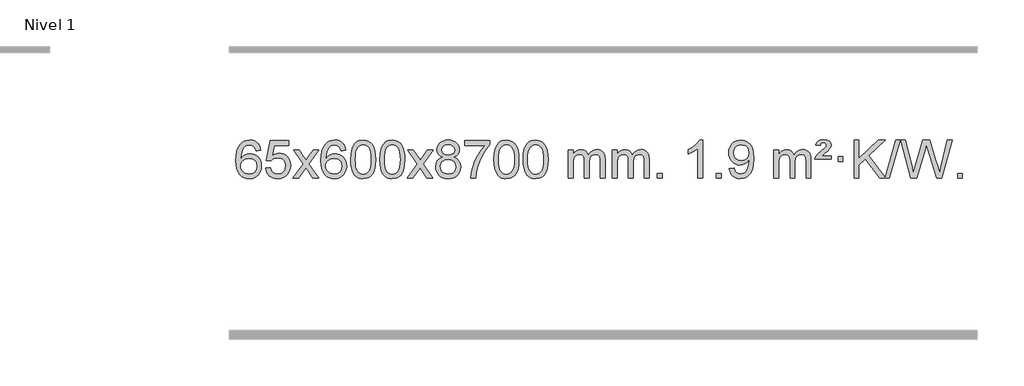
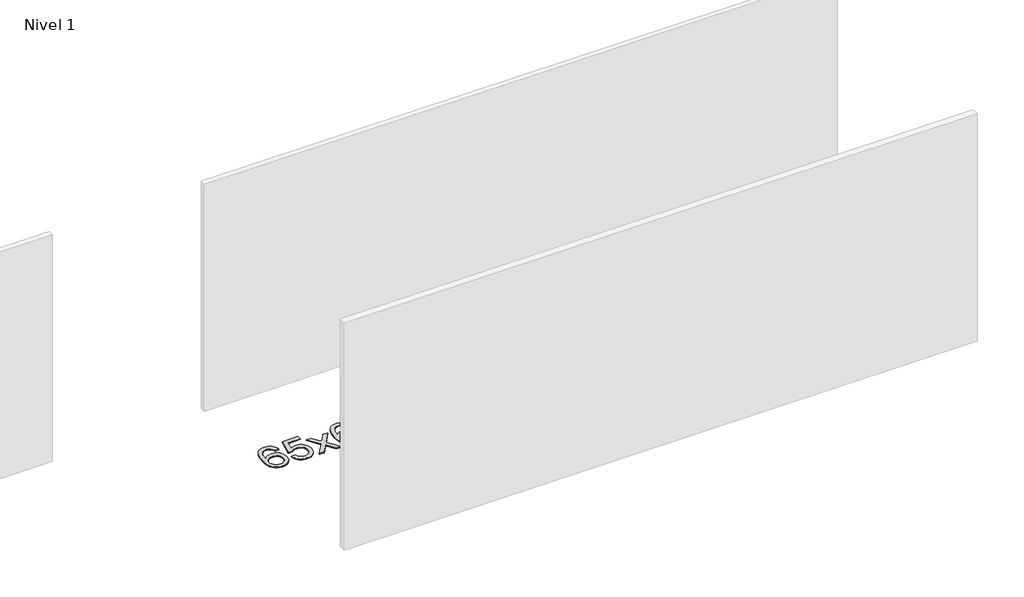
# One storey, part 6 of 10: 1 proxy.
"""IFC4 building model written with IfcOpenShell, lengths in millimetres."""

from ifc_helpers import new_model, si_unit, origin, origin_with_axes, place, context, project, spatial, polyline, outline, extrude, element, save

model = new_model("IFC4")

# Units and contexts
model_context = context("Model", 3, world=origin())
ifc_project = project(units=[si_unit("LENGTHUNIT", "METRE", prefix="MILLI")], contexts=[model_context])

# Site, building, storey
site = spatial("IfcSite", under=ifc_project)
building = spatial("IfcBuilding", under=site)
storey = spatial("IfcBuildingStorey", under=building, Name="Nivel 1", Elevation=0.0)

# Proxy
placement = place(None, origin())
element("IfcBuildingElementProxy", 1, Name="Texto de modelo 1", ObjectType="Texto de modelo 1", at=placement, inside=storey, context=model_context, shape_type="SweptSolid", body=[
    extrude(outline(polyline([(-1498.7504157, -6100.4890419), (-1548.9785708, -6106.7675613), (-1557.0719747, -6081.874213), (-1568.0103327, -6064.8780648), (-1590.7944909, -6049.2062918), (-1618.3365896, -6043.9823675), (-1641.6848336, -6047.0235253), (-1663.6596514, -6056.1469988), (-1682.5319978, -6075.3627017), (-1697.9462534, -6101.8134171), (-1708.3573138, -6139.227016), (-1712.2200748, -6191.3313693), (-1692.0724042, -6167.8237098), (-1667.9270826, -6151.2567573), (-1641.1330106, -6141.434308), (-1613.0390889, -6138.1601582), (-1588.90603, -6140.398107), (-1566.6369065, -6147.1119534), (-1546.2317185, -6158.3016975), (-1527.690466, -6173.9673391), (-1512.2823418, -6193.1769106), (-1501.2765387, -6214.9984443), (-1494.6730569, -6239.4319401), (-1492.4718963, -6266.4773982), (-1496.6167001, -6302.4439945), (-1509.0511116, -6335.786366), (-1528.745061, -6364.0642287), (-1554.668479, -6384.8372987), (-1585.644143, -6397.602804), (-1620.4948306, -6401.8579724), (-1650.4373594, -6399.0375437), (-1677.4797517, -6390.5762579), (-1701.6220076, -6376.4741147), (-1722.8641272, -6356.7311143), (-1740.1821721, -6330.5133908), (-1752.5522042, -6296.9870783), (-1759.9742234, -6256.1521768), (-1762.4482298, -6208.0086864), (-1759.7013776, -6154.0342663), (-1751.4608209, -6107.9693092), (-1737.7265598, -6069.8138149), (-1718.4985942, -6039.5677835), (-1697.6580791, -6019.5243462), (-1673.4943634, -6005.2076052), (-1646.007447, -5996.6175606), (-1615.1973299, -5993.7542124), (-1592.0636838, -5995.5261773), (-1571.1250669, -6000.8420722), (-1552.3814792, -6009.7018969), (-1535.8329208, -6022.1056515), (-1521.9269814, -6037.6364031), (-1511.1112507, -6055.8772186), (-1503.3857288, -6076.8280983), (-1498.7504157, -6100.4890419)]), holes=[polyline([(-1712.2200748, -6265.6925832), (-1709.313807, -6287.9494439), (-1700.5950037, -6309.2007605), (-1687.0569463, -6327.472233), (-1669.6929161, -6340.7895612), (-1648.7359051, -6348.9197533), (-1624.4189053, -6351.6298173), (-1591.2727375, -6346.0134855), (-1577.357601, -6338.9930708), (-1565.2144295, -6329.1644901), (-1555.3643891, -6316.9262824), (-1548.3286459, -6302.6769865), (-1542.7000514, -6268.1451299), (-1548.2550695, -6234.9989621), (-1555.1988422, -6221.3781312), (-1564.9201239, -6209.725469), (-1577.1000836, -6200.3904634), (-1591.4198903, -6193.7226022), (-1626.4790444, -6188.3883133), (-1659.5761613, -6193.7226022), (-1687.25315, -6209.725469), (-1698.1761796, -6221.2248471), (-1705.9783436, -6234.3858254), (-1710.659642, -6249.2084042), (-1712.2200748, -6265.6925832)])]), origin_with_axes(), (0.0, 0.0, 1.0), 10.0),
    extrude(outline(polyline([(-1448.5222606, -6288.8446235), (-1398.2941056, -6282.5661041), (-1389.0725302, -6312.7201649), (-1372.9838243, -6334.3148381), (-1350.1015642, -6347.3010725), (-1320.4993263, -6351.6298173), (-1301.3694626, -6350.1245668), (-1284.4959417, -6345.6088153), (-1269.8787638, -6338.0825628), (-1257.5179287, -6327.5458094), (-1247.6893481, -6314.519721), (-1240.6689334, -6299.5254641), (-1235.0526016, -6263.6324441), (-1240.3133141, -6229.8363514), (-1246.8892048, -6215.9181493), (-1256.0954517, -6203.9865099), (-1267.9627117, -6194.4154467), (-1282.5216417, -6187.5789729), (-1319.7145114, -6182.1097939), (-1344.0805622, -6184.2925604), (-1363.8112999, -6190.8408599), (-1379.568912, -6200.8717757), (-1392.0155862, -6213.5023908), (-1442.2437412, -6207.2238715), (-1398.2941056, -6000.0327318), (-1203.6600046, -6000.0327318), (-1203.6600046, -6050.2608869), (-1357.6799333, -6050.2608869), (-1379.1642418, -6160.919791), (-1361.438461, -6148.2155994), (-1343.2834845, -6139.1411769), (-1324.6993124, -6133.6965234), (-1305.6859446, -6131.8816388), (-1281.2248576, -6134.1318504), (-1258.7564648, -6140.882485), (-1238.2807661, -6152.1335427), (-1219.7977615, -6167.8850234), (-1204.4969362, -6187.1743027), (-1193.5677752, -6209.038756), (-1187.0102787, -6233.4783832), (-1184.8244465, -6260.4931844), (-1186.7926152, -6286.5147042), (-1192.6971212, -6310.7213394), (-1202.5379646, -6333.1130902), (-1216.3151453, -6353.6899565), (-1237.1863171, -6374.7634634), (-1261.5401052, -6389.8159684), (-1289.3765095, -6398.8474714), (-1320.69553, -6401.8579724), (-1346.6158823, -6399.9235262), (-1370.0285056, -6394.1201877), (-1390.9334, -6384.447957), (-1409.3305654, -6370.9068338), (-1424.6375221, -6354.1712688), (-1436.2717902, -6334.915712), (-1444.2333697, -6313.1401636), (-1448.5222606, -6288.8446235)])), origin_with_axes(), (0.0, 0.0, 1.0), 10.0),
    extrude(outline(polyline([(-1159.7103689, -6395.579453), (-1052.3869282, -6247.2494325), (-1153.4318496, -6100.4890419), (-1093.0011005, -6100.4890419), (-1044.2444734, -6171.122385), (-1021.4848406, -6204.4770192), (-1001.7663657, -6177.2047007), (-946.2407099, -6100.4890419), (-885.8099608, -6100.4890419), (-991.9561791, -6247.2494325), (-889.7340354, -6395.579453), (-950.1647845, -6395.579453), (-1011.6746541, -6306.4048574), (-1022.9563686, -6290.1199477), (-1099.2796199, -6395.579453), (-1159.7103689, -6395.579453)])), origin_with_axes(), (0.0, 0.0, 1.0), 10.0),
    extrude(outline(polyline([(-600.9221437, -6100.4890419), (-651.1502988, -6106.7675613), (-659.2437027, -6081.874213), (-670.1820607, -6064.8780648), (-692.9662189, -6049.2062918), (-720.5083176, -6043.9823675), (-743.8565616, -6047.0235253), (-765.8313794, -6056.1469988), (-784.7037258, -6075.3627017), (-800.1179814, -6101.8134171), (-810.5290419, -6139.227016), (-814.3918028, -6191.3313693), (-794.2441322, -6167.8237098), (-770.0988106, -6151.2567573), (-743.3047386, -6141.434308), (-715.2108169, -6138.1601582), (-691.077758, -6140.398107), (-668.8086346, -6147.1119534), (-648.4034466, -6158.3016975), (-629.862194, -6173.9673391), (-614.4540698, -6193.1769106), (-603.4482668, -6214.9984443), (-596.844785, -6239.4319401), (-594.6436244, -6266.4773982), (-598.7884282, -6302.4439945), (-611.2228396, -6335.786366), (-630.9167891, -6364.0642287), (-656.840207, -6384.8372987), (-687.815871, -6397.602804), (-722.6665587, -6401.8579724), (-752.6090874, -6399.0375437), (-779.6514797, -6390.5762579), (-803.7937357, -6376.4741147), (-825.0358552, -6356.7311143), (-842.3539001, -6330.5133908), (-854.7239322, -6296.9870783), (-862.1459515, -6256.1521768), (-864.6199579, -6208.0086864), (-861.8731057, -6154.0342663), (-853.632549, -6107.9693092), (-839.8982878, -6069.8138149), (-820.6703222, -6039.5677835), (-799.8298072, -6019.5243462), (-775.6660915, -6005.2076052), (-748.179175, -5996.6175606), (-717.3690579, -5993.7542124), (-694.2354118, -5995.5261773), (-673.2967949, -6000.8420722), (-654.5532073, -6009.7018969), (-638.0046489, -6022.1056515), (-624.0987094, -6037.6364031), (-613.2829788, -6055.8772186), (-605.5574569, -6076.8280983), (-600.9221437, -6100.4890419)]), holes=[polyline([(-814.3918028, -6265.6925832), (-811.485535, -6287.9494439), (-802.7667318, -6309.2007605), (-789.2286743, -6327.472233), (-771.8646442, -6340.7895612), (-750.9076332, -6348.9197533), (-726.5906333, -6351.6298173), (-693.4444655, -6346.0134855), (-679.5293291, -6338.9930708), (-667.3861575, -6329.1644901), (-657.5361171, -6316.9262824), (-650.500374, -6302.6769865), (-644.8717794, -6268.1451299), (-650.4267976, -6234.9989621), (-657.3705702, -6221.3781312), (-667.0918519, -6209.725469), (-679.2718117, -6200.3904634), (-693.5916183, -6193.7226022), (-728.6507725, -6188.3883133), (-761.7478893, -6193.7226022), (-789.4248781, -6209.725469), (-800.3479076, -6221.2248471), (-808.1500716, -6234.3858254), (-812.83137, -6249.2084042), (-814.3918028, -6265.6925832)])]), origin_with_axes(), (0.0, 0.0, 1.0), 10.0),
    extrude(outline(polyline([(-550.6939887, -6197.9041943), (-547.002906, -6133.5861588), (-535.9296579, -6082.2911459), (-517.5846091, -6043.2343407), (-505.7265461, -6028.0009605), (-492.0781241, -6015.6309284), (-476.5933578, -6006.0598651), (-459.2262619, -5999.2233914), (-418.8450816, -5993.7542124), (-387.8939431, -5996.991574), (-360.1801661, -6006.7036586), (-337.0036004, -6022.5103217), (-319.6640957, -6044.0314184), (-306.5674967, -6071.0830078), (-296.119648, -6103.4811488), (-289.2770429, -6144.6226186), (-286.9961745, -6197.9041943), (-290.650469, -6261.8543477), (-301.6133525, -6313.0267333), (-319.8480367, -6352.1203266), (-331.6785085, -6367.3996922), (-345.3177335, -6379.8341036), (-360.8208939, -6389.4695462), (-378.2431721, -6396.3520052), (-418.8450816, -6401.8579724), (-446.5098076, -6399.4667394), (-471.035274, -6392.2930405), (-492.4214806, -6380.3368757), (-510.6684276, -6363.5982449), (-528.1796106, -6333.3399508), (-540.6875984, -6295.6381776), (-548.1923911, -6250.4929255), (-550.6939887, -6197.9041943)]), holes=[polyline([(-500.4658336, -6197.8060924), (-498.9943056, -6241.4706195), (-494.5797217, -6276.8148822), (-487.2220818, -6303.8388804), (-476.9213859, -6322.5426142), (-464.462449, -6335.2682656), (-450.630086, -6344.3580165), (-435.4242968, -6349.8118671), (-418.8450816, -6351.6298173), (-402.2658663, -6349.8057357), (-387.0600772, -6344.3334911), (-373.2277142, -6335.2130833), (-360.7687773, -6322.4445124), (-350.4680814, -6303.7101217), (-343.1104415, -6276.6922549), (-338.6958576, -6241.3909118), (-337.2243296, -6197.8060924), (-338.6468066, -6155.2973278), (-342.9142378, -6120.5753989), (-350.026623, -6093.6403055), (-359.9839624, -6074.4920476), (-372.2344328, -6061.1440625), (-386.2262114, -6051.6097875), (-401.959298, -6045.8892225), (-419.4336928, -6043.9823675), (-435.9270689, -6045.6623619), (-450.8753406, -6050.7023452), (-464.278508, -6059.1023175), (-476.136571, -6070.8622786), (-486.7806234, -6091.708925), (-494.3835179, -6119.8151094), (-498.9452547, -6155.1808319), (-500.4658336, -6197.8060924)])]), origin_with_axes(), (0.0, 0.0, 1.0), 10.0),
    extrude(outline(polyline([(-243.0465388, -6197.9041943), (-239.3554561, -6133.5861588), (-228.2822081, -6082.2911459), (-209.9371593, -6043.2343407), (-198.0790963, -6028.0009605), (-184.4306743, -6015.6309284), (-168.945908, -6006.0598651), (-151.5788121, -5999.2233914), (-111.1976318, -5993.7542124), (-80.2464932, -5996.991574), (-52.5327163, -6006.7036586), (-29.3561506, -6022.5103217), (-12.0166459, -6044.0314184), (1.0799532, -6071.0830078), (11.5278018, -6103.4811488), (18.3704069, -6144.6226186), (20.6512753, -6197.9041943), (16.9969808, -6261.8543477), (6.0340974, -6313.0267333), (-12.2005869, -6352.1203266), (-24.0310587, -6367.3996922), (-37.6702837, -6379.8341036), (-53.1734441, -6389.4695462), (-70.5957222, -6396.3520052), (-111.1976318, -6401.8579724), (-138.8623578, -6399.4667394), (-163.3878241, -6392.2930405), (-184.7740308, -6380.3368757), (-203.0209778, -6363.5982449), (-220.5321607, -6333.3399508), (-233.0401486, -6295.6381776), (-240.5449413, -6250.4929255), (-243.0465388, -6197.9041943)]), holes=[polyline([(-192.8183838, -6197.8060924), (-191.3468558, -6241.4706195), (-186.9322718, -6276.8148822), (-179.5746319, -6303.8388804), (-169.2739361, -6322.5426142), (-156.8149992, -6335.2682656), (-142.9826361, -6344.3580165), (-127.776847, -6349.8118671), (-111.1976318, -6351.6298173), (-94.6184165, -6349.8057357), (-79.4126274, -6344.3334911), (-65.5802644, -6335.2130833), (-53.1213275, -6322.4445124), (-42.8206316, -6303.7101217), (-35.4629917, -6276.6922549), (-31.0484077, -6241.3909118), (-29.5768798, -6197.8060924), (-30.9993568, -6155.2973278), (-35.266788, -6120.5753989), (-42.3791732, -6093.6403055), (-52.3365125, -6074.4920476), (-64.586983, -6061.1440625), (-78.5787615, -6051.6097875), (-94.3118482, -6045.8892225), (-111.786243, -6043.9823675), (-128.2796191, -6045.6623619), (-143.2278908, -6050.7023452), (-156.6310582, -6059.1023175), (-168.4891211, -6070.8622786), (-179.1331735, -6091.708925), (-186.7360681, -6119.8151094), (-191.2978048, -6155.1808319), (-192.8183838, -6197.8060924)])]), origin_with_axes(), (0.0, 0.0, 1.0), 10.0),
    extrude(outline(polyline([(45.7653528, -6395.579453), (153.0887936, -6247.2494325), (52.0438722, -6100.4890419), (112.4746213, -6100.4890419), (161.2312484, -6171.122385), (183.9908812, -6204.4770192), (203.7093561, -6177.2047007), (259.2350119, -6100.4890419), (319.665761, -6100.4890419), (213.5195426, -6247.2494325), (315.7416864, -6395.579453), (255.3109373, -6395.579453), (193.8010677, -6306.4048574), (182.5193532, -6290.1199477), (106.1961019, -6395.579453), (45.7653528, -6395.579453)])), origin_with_axes(), (0.0, 0.0, 1.0), 10.0),
    extrude(outline(polyline([(420.3182749, -6174.2616447), (393.426101, -6161.0178929), (374.5537547, -6143.0652515), (363.4069302, -6120.7716026), (359.6913221, -6094.5048281), (361.714673, -6074.0199324), (367.784726, -6055.2395565), (377.9014808, -6038.1637006), (392.0649376, -6022.7923645), (409.5945147, -6010.088173), (429.8096303, -6001.0137504), (452.7102845, -5995.5690969), (478.2964773, -5993.7542124), (504.0052974, -5995.6120165), (527.0776299, -6001.1854287), (547.5134747, -6010.4744491), (565.3128319, -6023.4790776), (579.7338061, -6039.1508506), (590.034502, -6056.4413044), (596.2149195, -6075.3504389), (598.2750587, -6095.8782543), (594.6085014, -6121.2989001), (583.6088298, -6143.2124043), (565.1534164, -6161.0546811), (539.1196338, -6174.2616447), (570.0339842, -6190.1909351), (592.5360995, -6213.6495436), (606.258098, -6243.5092989), (610.8320974, -6278.6420295), (608.5634918, -6303.6947933), (601.7576749, -6326.6628926), (590.4146467, -6347.5463272), (574.5344072, -6366.3450971), (554.9508224, -6381.88198), (532.4977579, -6392.9797536), (507.1752139, -6399.6384177), (478.9831904, -6401.8579724), (450.7911668, -6399.6292206), (425.4686228, -6392.9429654), (403.0155584, -6381.7992066), (383.4319735, -6366.1979443), (367.551734, -6347.26735), (356.2087058, -6326.135595), (349.4028889, -6302.8026795), (347.1342833, -6277.2686033), (351.8922238, -6240.7747094), (366.1660452, -6210.7555386), (389.2199835, -6188.2411605), (420.3182749, -6174.2616447)]), holes=[polyline([(409.9194771, -6095.9763561), (414.3708493, -6117.902123), (427.7249657, -6135.413306), (449.589419, -6146.8912243), (479.5718016, -6150.717197), (508.8552084, -6146.9157497), (530.3885678, -6135.5114079), (543.6323197, -6118.5888361), (548.0469036, -6098.232699), (543.4851669, -6077.1040098), (529.7999566, -6059.629615), (507.9722916, -6047.8941794), (478.9831904, -6043.9823675), (449.8101481, -6047.8083402), (428.0192713, -6059.2862585), (414.4444257, -6076.1107284), (409.9194771, -6095.9763561)]), polyline([(397.3624384, -6275.5027698), (399.4593657, -6294.7184726), (405.7501479, -6313.3210389), (417.3629562, -6329.5446349), (435.4259621, -6341.623427), (457.0574235, -6349.1282197), (479.3755978, -6351.6298173), (513.5640979, -6346.3691048), (527.4577746, -6339.7932141), (539.2177357, -6330.5869672), (555.2573907, -6306.6869002), (560.6039424, -6277.0723996), (555.0857124, -6246.9551269), (538.5310227, -6222.5277625), (526.4522305, -6213.0854579), (512.2887737, -6206.3409547), (477.7078661, -6200.9453521), (443.9976126, -6206.2673783), (430.2602858, -6212.919911), (418.6014922, -6222.2334569), (402.6722018, -6246.1948375), (397.3624384, -6275.5027698)])]), origin_with_axes(), (0.0, 0.0, 1.0), 10.0),
    extrude(outline(polyline([(654.7817331, -6050.2608869), (654.7817331, -6000.0327318), (918.4795473, -6000.0327318), (918.4795473, -6040.646904), (880.8942701, -6088.214046), (843.6768749, -6148.7061088), (810.8495382, -6216.6048623), (786.4344365, -6286.3920768), (774.4660089, -6338.6067947), (767.795082, -6395.579453), (717.566927, -6395.579453), (722.9993178, -6343.8061935), (737.5306566, -6282.2717985), (760.7685359, -6217.0463207), (792.3205484, -6154.1998132), (829.1577988, -6097.3865704), (868.2513922, -6050.2608869), (654.7817331, -6050.2608869)])), origin_with_axes(), (0.0, 0.0, 1.0), 10.0),
    extrude(outline(polyline([(962.429183, -6197.9041943), (966.1202656, -6133.5861588), (977.1935137, -6082.2911459), (995.5385625, -6043.2343407), (1007.3966255, -6028.0009605), (1021.0450475, -6015.6309284), (1036.5298138, -6006.0598651), (1053.8969097, -5999.2233914), (1094.27809, -5993.7542124), (1125.2292286, -5996.991574), (1152.9430055, -6006.7036586), (1176.1195712, -6022.5103217), (1193.4590759, -6044.0314184), (1206.555675, -6071.0830078), (1217.0035236, -6103.4811488), (1223.8461287, -6144.6226186), (1226.1269971, -6197.9041943), (1222.4727026, -6261.8543477), (1211.5098192, -6313.0267333), (1193.2751349, -6352.1203266), (1181.4446631, -6367.3996922), (1167.8054381, -6379.8341036), (1152.3022777, -6389.4695462), (1134.8799996, -6396.3520052), (1094.27809, -6401.8579724), (1066.613364, -6399.4667394), (1042.0878976, -6392.2930405), (1020.701691, -6380.3368757), (1002.454744, -6363.5982449), (984.9435611, -6333.3399508), (972.4355732, -6295.6381776), (964.9307805, -6250.4929255), (962.429183, -6197.9041943)]), holes=[polyline([(1012.657338, -6197.8060924), (1014.128866, -6241.4706195), (1018.54345, -6276.8148822), (1025.9010899, -6303.8388804), (1036.2017857, -6322.5426142), (1048.6607226, -6335.2682656), (1062.4930856, -6344.3580165), (1077.6988748, -6349.8118671), (1094.27809, -6351.6298173), (1110.8573053, -6349.8057357), (1126.0630944, -6344.3334911), (1139.8954574, -6335.2130833), (1152.3543943, -6322.4445124), (1162.6550902, -6303.7101217), (1170.0127301, -6276.6922549), (1174.427314, -6241.3909118), (1175.898842, -6197.8060924), (1174.476365, -6155.2973278), (1170.2089338, -6120.5753989), (1163.0965486, -6093.6403055), (1153.1392093, -6074.4920476), (1140.8887388, -6061.1440625), (1126.8969603, -6051.6097875), (1111.1638736, -6045.8892225), (1093.6894788, -6043.9823675), (1077.1961027, -6045.6623619), (1062.247831, -6050.7023452), (1048.8446636, -6059.1023175), (1036.9866007, -6070.8622786), (1026.3425483, -6091.708925), (1018.7396537, -6119.8151094), (1014.1779169, -6155.1808319), (1012.657338, -6197.8060924)])]), origin_with_axes(), (0.0, 0.0, 1.0), 10.0),
    extrude(outline(polyline([(1270.0766328, -6197.9041943), (1273.7677155, -6133.5861588), (1284.8409635, -6082.2911459), (1303.1860124, -6043.2343407), (1315.0440753, -6028.0009605), (1328.6924974, -6015.6309284), (1344.1772637, -6006.0598651), (1361.5443595, -5999.2233914), (1401.9255399, -5993.7542124), (1432.8766784, -5996.991574), (1460.5904554, -6006.7036586), (1483.7670211, -6022.5103217), (1501.1065258, -6044.0314184), (1514.2031248, -6071.0830078), (1524.6509735, -6103.4811488), (1531.4935786, -6144.6226186), (1533.7744469, -6197.9041943), (1530.1201525, -6261.8543477), (1519.157269, -6313.0267333), (1500.9225848, -6352.1203266), (1489.0921129, -6367.3996922), (1475.452888, -6379.8341036), (1459.9497276, -6389.4695462), (1442.5274494, -6396.3520052), (1401.9255399, -6401.8579724), (1374.2608138, -6399.4667394), (1349.7353475, -6392.2930405), (1328.3491408, -6380.3368757), (1310.1021939, -6363.5982449), (1292.5910109, -6333.3399508), (1280.0830231, -6295.6381776), (1272.5782304, -6250.4929255), (1270.0766328, -6197.9041943)]), holes=[polyline([(1320.3047879, -6197.8060924), (1321.7763158, -6241.4706195), (1326.1908998, -6276.8148822), (1333.5485397, -6303.8388804), (1343.8492356, -6322.5426142), (1356.3081725, -6335.2682656), (1370.1405355, -6344.3580165), (1385.3463246, -6349.8118671), (1401.9255399, -6351.6298173), (1418.5047551, -6349.8057357), (1433.7105442, -6344.3334911), (1447.5429073, -6335.2130833), (1460.0018442, -6322.4445124), (1470.30254, -6303.7101217), (1477.6601799, -6276.6922549), (1482.0747639, -6241.3909118), (1483.5462919, -6197.8060924), (1482.1238148, -6155.2973278), (1477.8563837, -6120.5753989), (1470.7439984, -6093.6403055), (1460.7866591, -6074.4920476), (1448.5361887, -6061.1440625), (1434.5444101, -6051.6097875), (1418.8113234, -6045.8892225), (1401.3369287, -6043.9823675), (1384.8435526, -6045.6623619), (1369.8952808, -6050.7023452), (1356.4921135, -6059.1023175), (1344.6340505, -6070.8622786), (1333.9899981, -6091.708925), (1326.3871035, -6119.8151094), (1321.8253668, -6155.1808319), (1320.3047879, -6197.8060924)])]), origin_with_axes(), (0.0, 0.0, 1.0), 10.0),
    extrude(outline(polyline([(1747.244106, -6395.579453), (1747.244106, -6100.4890419), (1797.4722611, -6100.4890419), (1797.4722611, -6149.0494653), (1812.5799483, -6126.7435537), (1832.0041177, -6109.2691589), (1855.0825815, -6097.9751816), (1881.1531522, -6094.2105225), (1909.0876584, -6098.048758), (1931.4794092, -6109.5634645), (1948.2057772, -6127.9943524), (1959.1441352, -6152.5811324), (1977.4523959, -6127.0439906), (1998.3358304, -6108.803175), (2021.794439, -6097.8586857), (2047.8282215, -6094.2105225), (2067.9360383, -6095.7280358), (2085.585177, -6100.2805755), (2100.7756377, -6107.8681416), (2113.5074204, -6118.4907342), (2123.5720587, -6132.2709806), (2130.761086, -6149.3315082), (2135.0745024, -6169.6723168), (2136.5123078, -6193.2934066), (2136.5123078, -6395.579453), (2086.2841528, -6395.579453), (2086.2841528, -6214.875817), (2085.1191931, -6189.8230531), (2081.6243142, -6172.9372695), (2075.0760146, -6161.3735121), (2064.7507933, -6152.2868268), (2051.4702533, -6146.4007149), (2036.0559977, -6144.4386776), (2008.8449928, -6149.4663982), (1986.6617085, -6164.54956), (1978.0563355, -6176.1194488), (1971.9096405, -6190.7182326), (1966.9922845, -6229.0024856), (1966.9922845, -6395.579453), (1916.7641294, -6395.579453), (1916.7641294, -6209.2840106), (1913.8578616, -6180.8835206), (1905.1390583, -6160.6254854), (1889.7983791, -6148.4853796), (1867.0264836, -6144.4386776), (1847.6758907, -6147.1364789), (1829.8458767, -6155.2298828), (1815.1305968, -6168.5226856), (1805.1242066, -6186.8186835), (1799.3852475, -6212.2025411), (1797.4722611, -6246.7589232), (1797.4722611, -6395.579453), (1747.244106, -6395.579453)])), origin_with_axes(), (0.0, 0.0, 1.0), 10.0),
    extrude(outline(polyline([(2211.8545404, -6395.579453), (2211.8545404, -6100.4890419), (2262.0826955, -6100.4890419), (2262.0826955, -6149.0494653), (2277.1903828, -6126.7435537), (2296.6145521, -6109.2691589), (2319.693016, -6097.9751816), (2345.7635867, -6094.2105225), (2373.6980929, -6098.048758), (2396.0898436, -6109.5634645), (2412.8162117, -6127.9943524), (2423.7545697, -6152.5811324), (2442.0628303, -6127.0439906), (2462.9462649, -6108.803175), (2486.4048734, -6097.8586857), (2512.438656, -6094.2105225), (2532.5464727, -6095.7280358), (2550.1956114, -6100.2805755), (2565.3860721, -6107.8681416), (2578.1178548, -6118.4907342), (2588.1824931, -6132.2709806), (2595.3715204, -6149.3315082), (2599.6849368, -6169.6723168), (2601.1227423, -6193.2934066), (2601.1227423, -6395.579453), (2550.8945872, -6395.579453), (2550.8945872, -6214.875817), (2549.7296276, -6189.8230531), (2546.2347486, -6172.9372695), (2539.6864491, -6161.3735121), (2529.3612278, -6152.2868268), (2516.0806877, -6146.4007149), (2500.6664321, -6144.4386776), (2473.4554272, -6149.4663982), (2451.2721429, -6164.54956), (2442.6667699, -6176.1194488), (2436.5200749, -6190.7182326), (2431.6027189, -6229.0024856), (2431.6027189, -6395.579453), (2381.3745638, -6395.579453), (2381.3745638, -6209.2840106), (2378.4682961, -6180.8835206), (2369.7494928, -6160.6254854), (2354.4088136, -6148.4853796), (2331.6369181, -6144.4386776), (2312.2863251, -6147.1364789), (2294.4563111, -6155.2298828), (2279.7410313, -6168.5226856), (2269.734641, -6186.8186835), (2263.9956819, -6212.2025411), (2262.0826955, -6246.7589232), (2262.0826955, -6395.579453), (2211.8545404, -6395.579453)])), origin_with_axes(), (0.0, 0.0, 1.0), 10.0),
    extrude(outline(polyline([(2689.0220137, -6395.579453), (2689.0220137, -6345.3512979), (2739.2501687, -6345.3512979), (2739.2501687, -6395.579453), (2689.0220137, -6395.579453)])), origin_with_axes(), (0.0, 0.0, 1.0), 10.0),
    extrude(outline(polyline([(3166.1894869, -6395.579453), (3115.9613318, -6395.579453), (3115.9613318, -6082.4382987), (3094.9920581, -6099.3976587), (3068.3819271, -6116.3324932), (3015.5050216, -6141.6918254), (3015.5050216, -6094.2105225), (3054.9542343, -6072.7507395), (3089.1304716, -6047.219729), (3116.0716964, -6020.0700378), (3133.8158713, -5993.7542124), (3166.1894869, -5993.7542124), (3166.1894869, -6395.579453)])), origin_with_axes(), (0.0, 0.0, 1.0), 10.0),
    extrude(outline(polyline([(3310.5954327, -6395.579453), (3310.5954327, -6345.3512979), (3360.8235878, -6345.3512979), (3360.8235878, -6395.579453), (3310.5954327, -6395.579453)])), origin_with_axes(), (0.0, 0.0, 1.0), 10.0),
    extrude(outline(polyline([(3448.7228592, -6295.1231428), (3498.9510142, -6288.8446235), (3507.5349275, -6317.3554781), (3521.5144433, -6336.7673847), (3540.5462052, -6347.9142092), (3564.2868566, -6351.6298173), (3585.5872241, -6349.2385843), (3604.9500798, -6342.0648854), (3621.0387857, -6330.8935355), (3632.516704, -6316.5093495), (3648.9487664, -6272.8540194), (3654.3934199, -6244.4535294), (3656.2083044, -6214.5815114), (3655.9139988, -6204.7713248), (3638.5131805, -6226.0103787), (3615.741285, -6242.8348486), (3589.2415186, -6253.7977321), (3560.6570876, -6257.4520265), (3536.7968745, -6255.2202091), (3514.8557792, -6248.5247568), (3494.8338016, -6237.3656696), (3476.7309417, -6221.7429475), (3461.7305534, -6202.4720624), (3451.0159903, -6180.3684858), (3444.5872524, -6155.4322179), (3442.4443398, -6127.6632586), (3444.6914856, -6098.968463), (3451.4329232, -6073.2167234), (3462.6686525, -6050.4080397), (3478.3986734, -6030.5424119), (3497.5132088, -6014.4475746), (3518.9024811, -6002.9512623), (3542.5664905, -5996.0534749), (3568.5052368, -5993.7542124), (3605.9678866, -5999.0026622), (3640.0705476, -6014.7480116), (3668.5936649, -6040.2054457), (3689.317684, -6074.5901495), (3701.9360364, -6122.1205032), (3706.1421539, -6187.0148872), (3701.9482992, -6255.821083), (3689.3667349, -6309.0045568), (3668.5078258, -6348.9688042), (3655.0157536, -6364.8950289), (3639.4819364, -6378.117321), (3622.2190738, -6388.503856), (3603.5398655, -6395.9228095), (3561.9324118, -6401.8579724), (3539.3751141, -6400.1074672), (3518.9883202, -6394.8559517), (3500.7720301, -6386.1034259), (3484.7262438, -6373.8498898), (3471.2556314, -6358.4264372), (3460.7648631, -6340.1641618), (3453.2539391, -6319.0630637), (3448.7228592, -6295.1231428)]), holes=[polyline([(3655.9139988, -6126.4860363), (3650.4938708, -6092.444689), (3643.7187107, -6078.3670713), (3634.2334866, -6066.2514909), (3622.5041823, -6056.5087494), (3608.9967817, -6049.5496483), (3576.6476916, -6043.9823675), (3559.0384068, -6045.4814866), (3543.0968537, -6049.978844), (3528.8230322, -6057.4744396), (3516.2169425, -6067.9682736), (3505.9162467, -6080.8472091), (3498.5586068, -6095.4981095), (3494.1440228, -6111.9209749), (3492.6724949, -6130.1158053), (3498.2397757, -6161.1527829), (3505.1988768, -6174.2708417), (3514.9416183, -6185.7886139), (3527.06333, -6195.1665391), (3541.1593418, -6201.8650571), (3575.2742655, -6207.2238715), (3607.3658382, -6201.8650571), (3633.203417, -6185.7886139), (3643.1392966, -6174.0439812), (3650.2363534, -6160.2453407), (3655.9139988, -6126.4860363)])]), origin_with_axes(), (0.0, 0.0, 1.0), 10.0),
    extrude(outline(polyline([(3919.611813, -6395.579453), (3919.611813, -6100.4890419), (3969.8399681, -6100.4890419), (3969.8399681, -6149.0494653), (3984.9476553, -6126.7435537), (4004.3718247, -6109.2691589), (4027.4502885, -6097.9751816), (4053.5208592, -6094.2105225), (4081.4553654, -6098.048758), (4103.8471162, -6109.5634645), (4120.5734842, -6127.9943524), (4131.5118422, -6152.5811324), (4149.8201028, -6127.0439906), (4170.7035374, -6108.803175), (4194.162146, -6097.8586857), (4220.1959285, -6094.2105225), (4240.3037452, -6095.7280358), (4257.952884, -6100.2805755), (4273.1433447, -6107.8681416), (4285.8751274, -6118.4907342), (4295.9397656, -6132.2709806), (4303.128793, -6149.3315082), (4307.4422094, -6169.6723168), (4308.8800148, -6193.2934066), (4308.8800148, -6395.579453), (4258.6518597, -6395.579453), (4258.6518597, -6214.875817), (4257.4869001, -6189.8230531), (4253.9920211, -6172.9372695), (4247.4437216, -6161.3735121), (4237.1185003, -6152.2868268), (4223.8379603, -6146.4007149), (4208.4237047, -6144.4386776), (4181.2126998, -6149.4663982), (4159.0294155, -6164.54956), (4150.4240424, -6176.1194488), (4144.2773474, -6190.7182326), (4139.3599914, -6229.0024856), (4139.3599914, -6395.579453), (4089.1318364, -6395.579453), (4089.1318364, -6209.2840106), (4086.2255686, -6180.8835206), (4077.5067653, -6160.6254854), (4062.1660861, -6148.4853796), (4039.3941906, -6144.4386776), (4020.0435977, -6147.1364789), (4002.2135836, -6155.2298828), (3987.4983038, -6168.5226856), (3977.4919136, -6186.8186835), (3971.7529544, -6212.2025411), (3969.8399681, -6246.7589232), (3969.8399681, -6395.579453), (3919.611813, -6395.579453)])), origin_with_axes(), (0.0, 0.0, 1.0), 10.0),
    extrude(outline(polyline([(4352.8296505, -6194.6668327), (4356.6556233, -6178.8479069), (4364.9942818, -6162.9799302), (4386.5031158, -6137.8413272), (4418.4597984, -6110.1030247), (4462.6056379, -6072.726214), (4469.7425486, -6061.1992448), (4472.1215188, -6049.3779701), (4470.2330579, -6037.2869152), (4464.5676752, -6027.5012541), (4455.198947, -6021.026531), (4442.2004499, -6018.8682899), (4429.7660384, -6020.4869707), (4420.9123451, -6025.343013), (4414.4866729, -6034.8098431), (4409.336325, -6050.2608869), (4359.1081699, -6043.9823675), (4369.948426, -6018.7701881), (4386.5766922, -6001.2099542), (4410.3418691, -5990.9092583), (4442.5928573, -5987.475693), (4478.3755127, -5991.6082341), (4503.1217083, -6004.0058573), (4517.5426825, -6022.3386434), (4522.3496739, -6044.2766731), (4518.253921, -6067.1834586), (4505.9666624, -6088.8149199), (4485.438847, -6108.6314968), (4448.9694786, -6136.6886303), (4423.3648917, -6163.2742358), (4522.3496739, -6163.2742358), (4522.3496739, -6194.6668327), (4352.8296505, -6194.6668327)])), origin_with_axes(), (0.0, 0.0, 1.0), 10.0),
    extrude(outline(polyline([(4597.6919065, -6219.7809102), (4597.6919065, -6169.5527552), (4647.9200616, -6169.5527552), (4647.9200616, -6219.7809102), (4597.6919065, -6219.7809102)])), origin_with_axes(), (0.0, 0.0, 1.0), 10.0),
    extrude(outline(polyline([(5038.5616895, -6395.579453), (4885.1303721, -6192.9009991), (4817.440085, -6257.4520265), (4817.440085, -6395.579453), (4767.2119299, -6395.579453), (4767.2119299, -5993.7542124), (4817.440085, -5993.7542124), (4817.440085, -6190.4484525), (5023.4540023, -5993.7542124), (5093.6949379, -5993.7542124), (4920.7413492, -6158.9577537), (5095.3949591, -6389.5349332), (5206.7082868, -5993.7542124), (5252.0313486, -5993.7542124), (5139.0179997, -6395.579453), (5099.9734572, -6395.579453), (5093.6949379, -6395.579453), (5038.5616895, -6395.579453)])), origin_with_axes(), (0.0, 0.0, 1.0), 10.0),
    extrude(outline(polyline([(5366.5162255, -6395.579453), (5256.9364419, -5993.7542124), (5308.7342268, -5993.7542124), (5372.3042355, -6257.844434), (5391.9246086, -6339.3670841), (5412.9184078, -6267.2622131), (5492.5771225, -5993.7542124), (5567.2326421, -5993.7542124), (5625.1127426, -6192.0180823), (5649.9079891, -6265.5944814), (5668.1794615, -6339.3670841), (5687.2112234, -6260.1988788), (5751.3698434, -5993.7542124), (5803.1676283, -5993.7542124), (5693.4897428, -6395.579453), (5639.8280224, -6395.579453), (5543.4919906, -6085.5775584), (5530.0520351, -6042.3146358), (5514.9443478, -6094.4067263), (5427.1431783, -6395.579453), (5366.5162255, -6395.579453)])), origin_with_axes(), (0.0, 0.0, 1.0), 10.0),
    extrude(outline(polyline([(5859.6743028, -6395.579453), (5859.6743028, -6345.3512979), (5909.9024578, -6345.3512979), (5909.9024578, -6395.579453), (5859.6743028, -6395.579453)])), origin_with_axes(), (0.0, 0.0, 1.0), 10.0),
])

save(model, "model.ifc")
